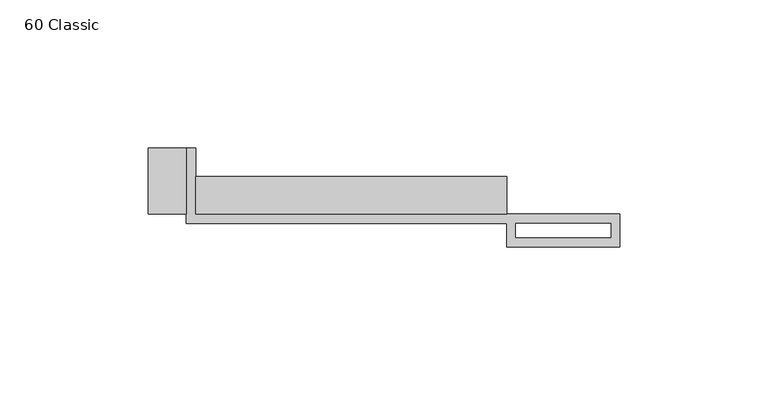
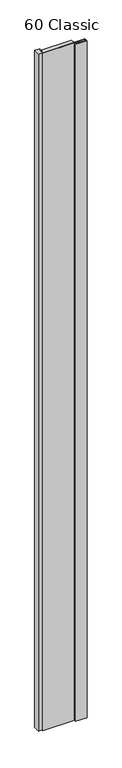
"""IFC4 building model written with IfcOpenShell, lengths in millimetres: proxy geometry, 60 Classic."""

from ifc_helpers import new_model, si_unit, origin, origin_with_axes, place, context, project, spatial, polyline, outline, extrude, source, transform, mapped, element, save


def proxy_60_classic_bcc0985b(model_context):
    return source(origin(), model_context, "Body", "SweptSolid", [
        extrude(outline(polyline([(-107.95, 0.0), (-120.65, 0.0), (-120.65, 22.225), (-107.95, 22.225), (-107.95, 0.0)])), origin_with_axes(), (0.0, 0.0, 1.0), 2438.4),
        extrude(outline(polyline([(0.0, 0.0), (-104.775, 0.0), (-104.775, 12.7), (0.0, 12.7), (0.0, 0.0)])), origin_with_axes(), (0.0, 0.0, 1.0), 2438.4),
        extrude(outline(polyline([(-107.95, 22.225), (-104.775, 22.225), (-104.775, 0.0), (38.1, 0.0), (38.1, -11.1125), (0.0, -11.1125), (0.0, -3.175), (-107.95, -3.175), (-107.95, 22.225)]), holes=[polyline([(3.175, -3.175), (3.175, -7.9375), (35.1499571, -7.9375), (35.1499571, -3.175), (3.175, -3.175)])]), origin_with_axes(), (0.0, 0.0, 1.0), 2438.4),
    ])


if __name__ == "__main__":
    model = new_model("IFC4")
    model_context = context("Model", 3, world=origin())
    ifc_project = project(units=[si_unit("LENGTHUNIT", "METRE", prefix="MILLI")], contexts=[model_context])
    site = spatial("IfcSite", under=ifc_project)
    building = spatial("IfcBuilding", under=site)
    placement = place(None, origin())
    proxy_60_classic_shape = proxy_60_classic_bcc0985b(model_context)
    element("IfcBuildingElementProxy", 1, Name="60 Classic", ObjectType="60 Classic", at=placement, inside=building, context=model_context, shape_type="MappedRepresentation", body=[
        mapped(proxy_60_classic_shape, transform((0.0, 0.0, 0.0), x_axis=(1.0, 0.0, 0.0), y_axis=(0.0, 1.0, 0.0), z_axis=(0.0, 0.0, 1.0))),
    ])
    save(model, "model.ifc")
